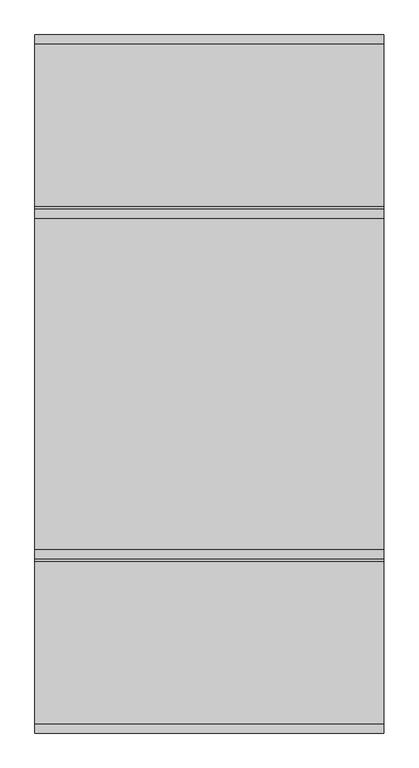
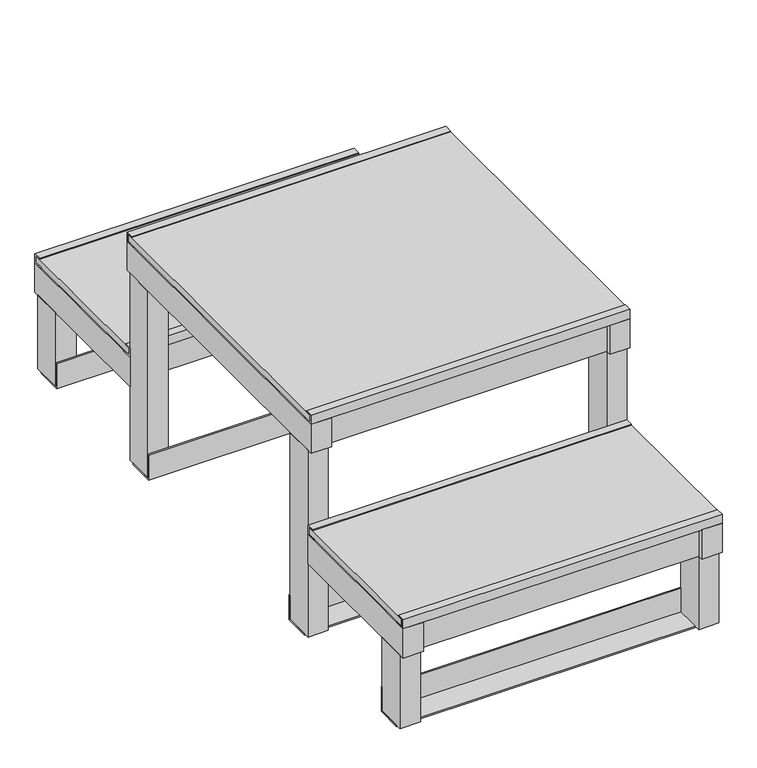
"""IFC4 building model written with IfcOpenShell, lengths in millimetres: proxy geometry."""

from ifc_helpers import new_model, si_unit, frame, origin, place, context, project, spatial, polyline, outline, extrude, source, transform, mapped, element, save


def specialty_equipment_748a0c8a(model_context):
    return source(origin(), model_context, "Body", "SweptSolid", [
        extrude(outline(polyline([(654.6, 210.0), (654.6, 223.0), (642.6, 223.0), (642.6, 225.0), (657.6, 225.0), (657.6, 207.0), (637.6, 207.0), (637.6, 210.0), (654.6, 210.0)])), frame((-300.0, 0.0, 0.0), z_axis=(1.0, 0.0, 0.0), x_axis=(0.0, 1.0, 0.0)), (0.0, 0.0, 1.0), 600.0),
        extrude(outline(polyline([(350.6, 223.0), (350.6, 210.0), (367.6, 210.0), (367.6, 207.0), (347.6, 207.0), (347.6, 225.0), (362.6, 225.0), (362.6, 223.0), (350.6, 223.0)])), frame((-300.0, 0.0, 0.0), z_axis=(1.0, 0.0, 0.0), x_axis=(0.0, 1.0, 0.0)), (0.0, 0.0, 1.0), 600.0),
        extrude(outline(polyline([(-262.0, 589.4), (-300.0, 589.4), (-300.0, 647.6), (-262.0, 647.6), (-262.0, 589.4)])), frame((0.0, 0.0, 3.0), z_axis=(0.0, 0.0, 1.0), x_axis=(1.0, 0.0, 0.0)), (0.0, 0.0, 1.0), 146.0),
        extrude(outline(polyline([(300.0, 589.4), (262.0, 589.4), (262.0, 647.6), (300.0, 647.6), (300.0, 589.4)])), frame((0.0, 0.0, 3.0), z_axis=(0.0, 0.0, 1.0), x_axis=(1.0, 0.0, 0.0)), (0.0, 0.0, 1.0), 146.0),
        extrude(outline(polyline([(300.0, 652.6), (300.0, 352.6), (-300.0, 352.6), (-300.0, 652.6), (300.0, 652.6)])), frame((0.0, 0.0, 210.0), z_axis=(0.0, 0.0, 1.0), x_axis=(1.0, 0.0, 0.0)), (0.0, 0.0, 1.0), 13.0),
        extrude(outline(polyline([(300.0, -237.4), (300.0, -537.4), (-300.0, -537.4), (-300.0, -237.4), (300.0, -237.4)])), frame((0.0, 0.0, 210.0), z_axis=(0.0, 0.0, 1.0), x_axis=(1.0, 0.0, 0.0)), (0.0, 0.0, 1.0), 13.0),
        extrude(outline(polyline([(-262.0, -474.2), (-262.0, -532.4), (-300.0, -532.4), (-300.0, -474.2), (-262.0, -474.2)])), frame((0.0, 0.0, 3.0), z_axis=(0.0, 0.0, 1.0), x_axis=(1.0, 0.0, 0.0)), (0.0, 0.0, 1.0), 146.0),
        extrude(outline(polyline([(300.0, -474.2), (300.0, -532.4), (262.0, -532.4), (262.0, -474.2), (300.0, -474.2)])), frame((0.0, 0.0, 3.0), z_axis=(0.0, 0.0, 1.0), x_axis=(1.0, 0.0, 0.0)), (0.0, 0.0, 1.0), 146.0),
        extrude(outline(polyline([(586.4, 50.0), (589.4, 50.0), (589.4, 3.0), (636.4, 3.0), (636.4, 0.0), (586.4, 0.0), (586.4, 50.0)])), frame((-300.0, 0.0, 0.0), z_axis=(1.0, 0.0, 0.0), x_axis=(0.0, 1.0, 0.0)), (0.0, 0.0, 1.0), 600.0),
        extrude(outline(polyline([(-262.0, 347.6), (-300.0, 347.6), (-300.0, 657.6), (-262.0, 657.6), (-262.0, 647.6), (262.0, 647.6), (262.0, 657.6), (300.0, 657.6), (300.0, 347.6), (262.0, 347.6), (262.0, 357.6), (-262.0, 357.6), (-262.0, 347.6)]), holes=[polyline([(-262.0, 395.6), (262.0, 395.6), (262.0, 609.6), (-262.0, 609.6), (-262.0, 395.6)])]), frame((0.0, 0.0, 149.0), z_axis=(0.0, 0.0, 1.0), x_axis=(1.0, 0.0, 0.0)), (0.0, 0.0, 1.0), 58.0),
        extrude(outline(polyline([(-262.0, -542.4), (-300.0, -542.4), (-300.0, -232.4), (-262.0, -232.4), (-262.0, -242.4), (262.0, -242.4), (262.0, -232.4), (300.0, -232.4), (300.0, -542.4), (262.0, -542.4), (262.0, -532.4), (-262.0, -532.4), (-262.0, -542.4)]), holes=[polyline([(-262.0, -494.4), (262.0, -494.4), (262.0, -280.4), (-262.0, -280.4), (-262.0, -494.4)])]), frame((0.0, 0.0, 149.0), z_axis=(0.0, 0.0, 1.0), x_axis=(1.0, 0.0, 0.0)), (0.0, 0.0, 1.0), 58.0),
        extrude(outline(polyline([(300.0, 352.6), (300.0, -237.4), (-300.0, -237.4), (-300.0, 352.6), (300.0, 352.6)])), frame((0.0, 0.0, 435.0), z_axis=(0.0, 0.0, 1.0), x_axis=(1.0, 0.0, 0.0)), (0.0, 0.0, 1.0), 13.0),
        extrude(outline(polyline([(357.6, 432.0), (337.6, 432.0), (337.6, 435.0), (354.6, 435.0), (354.6, 448.0), (342.6, 448.0), (342.6, 450.0), (357.6, 450.0), (357.6, 432.0)])), frame((-300.0, 0.0, 0.0), z_axis=(1.0, 0.0, 0.0), x_axis=(0.0, 1.0, 0.0)), (0.0, 0.0, 1.0), 600.0),
        extrude(outline(polyline([(-242.4, 432.0), (-242.4, 450.0), (-227.4, 450.0), (-227.4, 448.0), (-239.4, 448.0), (-239.4, 435.0), (-222.4, 435.0), (-222.4, 432.0), (-242.4, 432.0)])), frame((-300.0, 0.0, 0.0), z_axis=(1.0, 0.0, 0.0), x_axis=(0.0, 1.0, 0.0)), (0.0, 0.0, 1.0), 600.0),
        extrude(outline(polyline([(-232.4, 207.0), (-252.4, 207.0), (-252.4, 210.0), (-235.4, 210.0), (-235.4, 223.0), (-247.4, 223.0), (-247.4, 225.0), (-232.4, 225.0), (-232.4, 207.0)])), frame((-300.0, 0.0, 0.0), z_axis=(1.0, 0.0, 0.0), x_axis=(0.0, 1.0, 0.0)), (0.0, 0.0, 1.0), 600.0),
        extrude(outline(polyline([(-542.4, 207.0), (-542.4, 225.0), (-527.4, 225.0), (-527.4, 223.0), (-539.4, 223.0), (-539.4, 210.0), (-522.4, 210.0), (-522.4, 207.0), (-542.4, 207.0)])), frame((-300.0, 0.0, 0.0), z_axis=(1.0, 0.0, 0.0), x_axis=(0.0, 1.0, 0.0)), (0.0, 0.0, 1.0), 600.0),
        extrude(outline(polyline([(289.6, 3.0), (336.6, 3.0), (336.6, 0.0), (286.6, 0.0), (286.6, 50.0), (289.6, 50.0), (289.6, 3.0)])), frame((-300.0, 0.0, 0.0), z_axis=(1.0, 0.0, 0.0), x_axis=(0.0, 1.0, 0.0)), (0.0, 0.0, 1.0), 600.0),
        extrude(outline(polyline([(-174.4, 3.0), (-174.4, 50.0), (-171.4, 50.0), (-171.4, 0.0), (-221.4, 0.0), (-221.4, 3.0), (-174.4, 3.0)])), frame((-300.0, 0.0, 0.0), z_axis=(1.0, 0.0, 0.0), x_axis=(0.0, 1.0, 0.0)), (0.0, 0.0, 1.0), 600.0),
        extrude(outline(polyline([(-474.2, 3.0), (-474.2, 50.0), (-471.2, 50.0), (-471.2, 0.0), (-521.2, 0.0), (-521.2, 3.0), (-474.2, 3.0)])), frame((-300.0, 0.0, 0.0), z_axis=(1.0, 0.0, 0.0), x_axis=(0.0, 1.0, 0.0)), (0.0, 0.0, 1.0), 600.0),
        extrude(outline(polyline([(-262.0, 347.6), (-262.0, 289.6), (-300.0, 289.6), (-300.0, 347.6), (-262.0, 347.6)])), frame((0.0, 0.0, 3.0), z_axis=(0.0, 0.0, 1.0), x_axis=(1.0, 0.0, 0.0)), (0.0, 0.0, 1.0), 371.0),
        extrude(outline(polyline([(-262.0, -174.4), (-262.0, -232.4), (-300.0, -232.4), (-300.0, -174.4), (-262.0, -174.4)])), frame((0.0, 0.0, 3.0), z_axis=(0.0, 0.0, 1.0), x_axis=(1.0, 0.0, 0.0)), (0.0, 0.0, 1.0), 371.0),
        extrude(outline(polyline([(300.0, -174.4), (300.0, -232.4), (262.0, -232.4), (262.0, -174.4), (300.0, -174.4)])), frame((0.0, 0.0, 3.0), z_axis=(0.0, 0.0, 1.0), x_axis=(1.0, 0.0, 0.0)), (0.0, 0.0, 1.0), 371.0),
        extrude(outline(polyline([(300.0, 347.6), (300.0, 289.6), (262.0, 289.6), (262.0, 347.6), (300.0, 347.6)])), frame((0.0, 0.0, 3.0), z_axis=(0.0, 0.0, 1.0), x_axis=(1.0, 0.0, 0.0)), (0.0, 0.0, 1.0), 371.0),
        extrude(outline(polyline([(-262.0, 347.6), (262.0, 347.6), (262.0, 357.6), (300.0, 357.6), (300.0, -242.4), (262.0, -242.4), (262.0, -232.4), (-262.0, -232.4), (-262.0, -242.4), (-300.0, -242.4), (-300.0, 357.6), (-262.0, 357.6), (-262.0, 347.6)]), holes=[polyline([(-262.0, 309.6), (-262.0, -194.4), (262.0, -194.4), (262.0, 309.6), (-262.0, 309.6)])]), frame((0.0, 0.0, 374.0), z_axis=(0.0, 0.0, 1.0), x_axis=(1.0, 0.0, 0.0)), (0.0, 0.0, 1.0), 58.0),
    ])


if __name__ == "__main__":
    model = new_model("IFC4")
    model_context = context("Model", 3, world=origin())
    ifc_project = project(units=[si_unit("LENGTHUNIT", "METRE", prefix="MILLI")], contexts=[model_context])
    site = spatial("IfcSite", under=ifc_project)
    building = spatial("IfcBuilding", under=site)
    placement = place(None, origin())
    specialty_equipment_shape = specialty_equipment_748a0c8a(model_context)
    element("IfcBuildingElementProxy", 1, Name="Specialty Equipment", at=placement, inside=building, context=model_context, shape_type="MappedRepresentation", body=[
        mapped(specialty_equipment_shape, transform((0.0, 0.0, 0.0), x_axis=(1.0, 0.0, 0.0), y_axis=(0.0, 1.0, 0.0), z_axis=(0.0, 0.0, 1.0))),
    ])
    save(model, "model.ifc")
